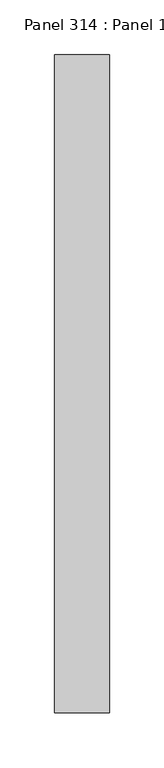
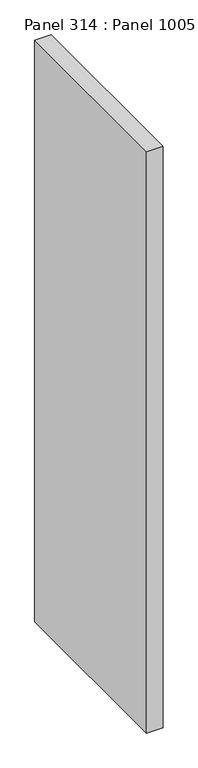
"""IFC4 building model written with IfcOpenShell, lengths in millimetres: proxy geometry, Panel 314 : Panel 1005."""

from ifc_helpers import new_model, si_unit, frame, origin, place, context, project, spatial, polyline, outline, extrude, source, transform, mapped, element, save


def panel_314_panel_1005_f2c7688e(model_context):
    return source(origin(), model_context, "Body", "SweptSolid", [
        extrude(outline(polyline([(39817.4759819, 339205.7874187), (39767.4759397, 339205.7874183), (39767.4759613, 339805.7854598), (39817.4760034, 339805.7854602), (39817.4759819, 339205.7874187)])), frame((0.0, 0.0, 34575.0), z_axis=(0.0, 0.0, 1.0), x_axis=(1.0, 0.0, 0.0)), (0.0, 0.0, 1.0), 1900.0),
    ])


if __name__ == "__main__":
    model = new_model("IFC4")
    model_context = context("Model", 3, world=origin())
    ifc_project = project(units=[si_unit("LENGTHUNIT", "METRE", prefix="MILLI")], contexts=[model_context])
    site = spatial("IfcSite", under=ifc_project)
    building = spatial("IfcBuilding", under=site)
    placement = place(None, origin())
    panel_314_panel_1005_shape = panel_314_panel_1005_f2c7688e(model_context)
    element("IfcBuildingElementProxy", 1, Name="Panel 314 : Panel 1005", ObjectType="Panel 314 : Panel 1005", at=placement, inside=building, context=model_context, shape_type="MappedRepresentation", body=[
        mapped(panel_314_panel_1005_shape, transform((0.0, 0.0, 0.0), x_axis=(1.0, 0.0, 0.0), y_axis=(0.0, 1.0, 0.0), z_axis=(0.0, 0.0, 1.0))),
    ])
    save(model, "model.ifc")
